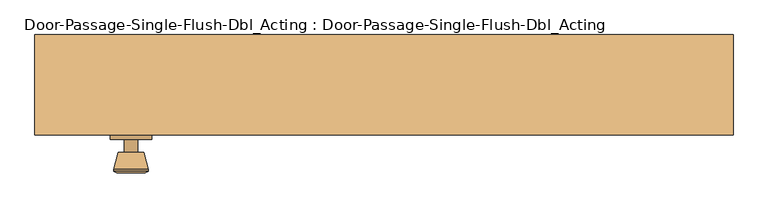
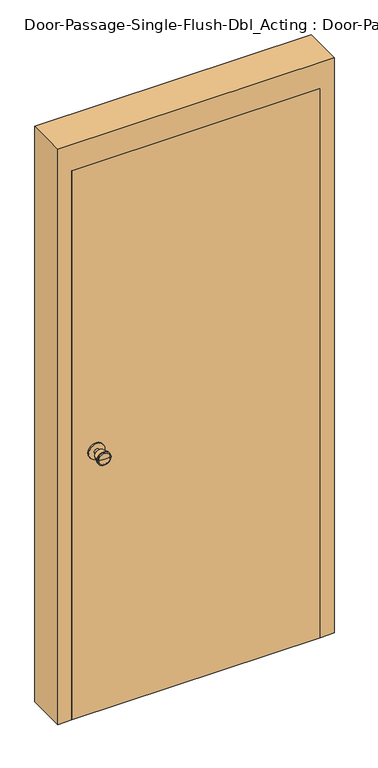
"""IFC4 building model written with IfcOpenShell, lengths in millimetres: door geometry, Door-Passage-Single-Flush-Dbl_Acting : Door-Passage-Single-Flush-Dbl_Acting."""

from ifc_helpers import new_model, si_unit, point, frame, frame_2d, origin, origin_with_axes, place, context, project, spatial, polyline, circle_curve, trimmed, segment, composite_curve, outline, extrude, source, transform, mapped, element, save
from ifc_brep_helpers import plane_surface, cylinder_surface, revolved_surface, advanced_brep


def door_passage_single_flush_dbl_acting_door_passage_single_aa2bed75(model_context):
    return source(origin(), model_context, "Body", "SolidModel", [
        advanced_brep(
        [(-368.3, -88.55, 1016.0), (-358.3, -88.55, 1016.0), (-378.3, -88.55, 1016.0), (-347.8241324, -137.55, 1016.0), (-368.3, -137.55, 1016.0), (-388.7758676, -137.55, 1016.0), (-343.3, -135.7221319, 1016.0), (-393.3, -135.7221319, 1016.0), (-343.3, -132.2584537, 1016.0), (-393.3, -132.2584537, 1016.0), (-349.663764, -107.55, 1016.0), (-386.936236, -107.55, 1016.0), (-358.3, -107.55, 1016.0), (-378.3, -107.55, 1016.0)],
        [
            (0, 1),
            (1, 2, circle_curve(frame((-368.3, -88.55, 1016.0), z_axis=(0.0, 1.0, 0.0), x_axis=(-1.0, 0.0, 0.0)), 10.0)),
            (2, 0),
            (2, 1, circle_curve(frame((-368.3, -88.55, 1016.0), z_axis=(0.0, 1.0, 0.0), x_axis=(-1.0, 0.0, 0.0)), 10.0)),
            (3, 4),
            (4, 5),
            (5, 3, circle_curve(frame((-368.3, -137.55, 1016.0), z_axis=(0.0, -1.0, 0.0), x_axis=(-1.0, 0.0, 0.0)), 20.4758676)),
            (3, 5, circle_curve(frame((-368.3, -137.55, 1016.0), z_axis=(0.0, -1.0, 0.0), x_axis=(-1.0, 0.0, 0.0)), 20.4758676)),
            (6, 3),
            (5, 7),
            (7, 6, circle_curve(frame((-368.3, -135.7221319, 1016.0), z_axis=(0.0, -1.0, 0.0), x_axis=(-1.0, 0.0, 0.0)), 25.0)),
            (6, 7, circle_curve(frame((-368.3, -135.7221319, 1016.0), z_axis=(0.0, -1.0, 0.0), x_axis=(-1.0, 0.0, 0.0)), 25.0)),
            (8, 6),
            (7, 9),
            (9, 8, circle_curve(frame((-368.3, -132.2584537, 1016.0), z_axis=(0.0, -1.0, 0.0), x_axis=(-1.0, 0.0, 0.0)), 25.0)),
            (8, 9, circle_curve(frame((-368.3, -132.2584537, 1016.0), z_axis=(0.0, -1.0, 0.0), x_axis=(-1.0, 0.0, 0.0)), 25.0)),
            (10, 8),
            (9, 11),
            (11, 10, circle_curve(frame((-368.3, -107.55, 1016.0), z_axis=(0.0, -1.0, 0.0), x_axis=(-1.0, 0.0, 0.0)), 18.636236)),
            (10, 11, circle_curve(frame((-368.3, -107.55, 1016.0), z_axis=(0.0, -1.0, 0.0), x_axis=(-1.0, 0.0, 0.0)), 18.636236)),
            (12, 10),
            (11, 13),
            (13, 12, circle_curve(frame((-368.3, -107.55, 1016.0), z_axis=(0.0, -1.0, 0.0), x_axis=(-1.0, 0.0, 0.0)), 10.0)),
            (12, 13, circle_curve(frame((-368.3, -107.55, 1016.0), z_axis=(0.0, -1.0, 0.0), x_axis=(-1.0, 0.0, 0.0)), 10.0)),
            (1, 12),
            (13, 2),
        ],
        [
            plane_surface(frame((-368.3, -88.55, 1016.0), z_axis=(0.0, 1.0, 0.0), x_axis=(-1.0, 0.0, 0.0))),
            plane_surface(frame((-368.3, -137.55, 1016.0), z_axis=(0.0, -1.0, 0.0), x_axis=(-1.0, 0.0, 0.0))),
            revolved_surface(polyline([(-388.7758676, -137.55, 1016.0), (-393.3, -135.7221319, 1016.0)]), (-368.3, -88.55, 1016.0), (0.0, 1.0, 0.0)),
            cylinder_surface(frame((-368.3, -88.55, 1016.0), z_axis=(0.0, 1.0, 0.0), x_axis=(-1.0, 0.0, 0.0)), 25.0),
            revolved_surface(polyline([(-393.3, -132.2584537, 1016.0), (-386.936236, -107.55, 1016.0)]), (-368.3, -88.55, 1016.0), (0.0, 1.0, 0.0)),
            plane_surface(frame((-368.3, -107.55, 1016.0), z_axis=(0.0, 1.0, 0.0), x_axis=(-1.0, 0.0, 0.0))),
            cylinder_surface(frame((-368.3, -88.55, 1016.0), z_axis=(0.0, 1.0, 0.0), x_axis=(-1.0, 0.0, 0.0)), 10.0),
        ],
        [
            (0, [[1, 2, 3]]),
            (0, [[-3, 4, -1]]),
            (1, [[5, 6, 7]]),
            (1, [[-6, -5, 8]]),
            (2, [[9, -7, 10, 11]]),
            (2, [[-10, -8, -9, 12]]),
            (3, [[13, -11, 14, 15]]),
            (3, [[-14, -12, -13, 16]]),
            (4, [[17, -15, 18, 19]]),
            (4, [[-18, -16, -17, 20]]),
            (5, [[21, -19, 22, 23]]),
            (5, [[-22, -20, -21, 24]]),
            (6, [[25, -23, 26, -2]]),
            (6, [[-26, -24, -25, -4]]),
        ],
    ),
        extrude(outline(composite_curve([segment(trimmed(circle_curve(frame_2d((1016.0, -368.3)), 30.0), [point((1016.0, -398.3))], [point((1016.0, -338.3))], False, "CARTESIAN"), True, "CONTINUOUS"), segment(trimmed(circle_curve(frame_2d((1016.0, -368.3)), 30.0), [point((1016.0, -338.3))], [point((1016.0, -398.3))], False, "CARTESIAN"), True, "CONTINUOUS")], self_intersect=False)), frame((0.0, -88.55, 0.0), z_axis=(0.0, 1.0, 0.0), x_axis=(0.0, 0.0, 1.0)), (0.0, 0.0, 1.0), 6.0),
        extrude(outline(polyline([(-419.1, -34.925), (-342.9, -34.925), (-342.9, -38.1), (-419.1, -38.1), (-419.1, -34.925)])), frame((0.0, 0.0, 838.2), z_axis=(0.0, 0.0, 1.0), x_axis=(1.0, 0.0, 0.0)), (0.0, 0.0, 1.0), 355.6),
        extrude(outline(polyline([(0.0, 508.0), (2235.2, 508.0), (2235.2, -508.0), (0.0, -508.0), (0.0, -457.2), (2133.6, -457.2), (2133.6, 457.2), (0.0, 457.2), (0.0, 508.0)])), frame((0.0, -82.55, 0.0), z_axis=(0.0, 1.0, 0.0), x_axis=(0.0, 0.0, 1.0)), (0.0, 0.0, 1.0), 146.05),
        extrude(outline(polyline([(457.2, -38.1), (457.2, -82.55), (-457.2, -82.55), (-457.2, -38.1), (457.2, -38.1)])), origin_with_axes(), (0.0, 0.0, 1.0), 2133.6),
    ])


if __name__ == "__main__":
    model = new_model("IFC4")
    model_context = context("Model", 3, world=origin())
    ifc_project = project(units=[si_unit("LENGTHUNIT", "METRE", prefix="MILLI")], contexts=[model_context])
    site = spatial("IfcSite", under=ifc_project)
    building = spatial("IfcBuilding", under=site)
    placement = place(None, origin())
    door_passage_single_flush_dbl_acting_door_passage_single_shape = door_passage_single_flush_dbl_acting_door_passage_single_aa2bed75(model_context)
    element("IfcDoor", 1, ObjectType="Door-Passage-Single-Flush-Dbl_Acting : Door-Passage-Single-Flush-Dbl_Acting", at=placement, inside=building, context=model_context, shape_type="MappedRepresentation", body=[
        mapped(door_passage_single_flush_dbl_acting_door_passage_single_shape, transform((0.0, 0.0, 0.0), x_axis=(1.0, 0.0, 0.0), y_axis=(0.0, 1.0, 0.0), z_axis=(0.0, 0.0, 1.0))),
    ])
    save(model, "model.ifc")
